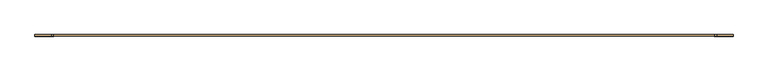
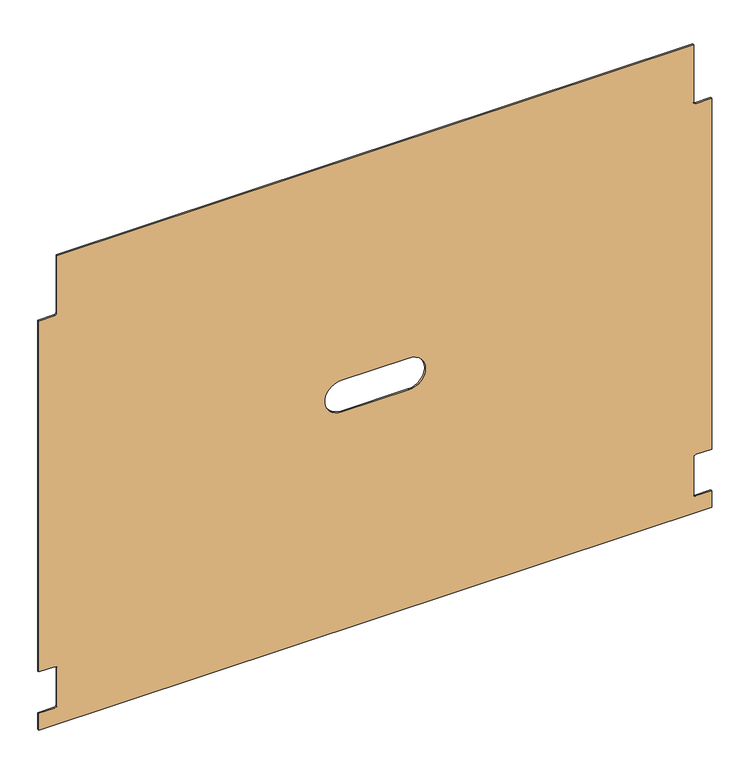
"""IFC4 building model written with IfcOpenShell, lengths in millimetres: door geometry."""

from ifc_helpers import new_model, si_unit, point, frame, frame_2d, origin, place, context, project, spatial, polyline, circle_curve, trimmed, segment, composite_curve, outline, extrude, source, transform, mapped, element, save


def door_e93304ff(model_context):
    return source(origin(), model_context, "Body", "SweptSolid", [
        extrude(outline(composite_curve([segment(trimmed(circle_curve(frame_2d((688.1316256, -382.7885454)), 3.175), [point((688.1316256, -379.6135454))], [point((684.9566256, -382.7885454))], True, "CARTESIAN"), True, "CONTINUOUS"), segment(polyline([(684.9566256, -382.7885454), (684.9566256, -406.9820454), (121.3520123, -406.9820454), (121.3520123, -382.7885454)]), True, "CONTINUOUS"), segment(trimmed(circle_curve(frame_2d((118.1770123, -382.7885454)), 3.175), [point((121.3520123, -382.7885454))], [point((118.1770123, -379.6135454))], True, "CARTESIAN"), True, "CONTINUOUS"), segment(polyline([(118.1770123, -379.6135454), (57.8520123, -379.6135454)]), True, "CONTINUOUS"), segment(trimmed(circle_curve(frame_2d((57.8520123, -382.7885454)), 3.175), [point((57.8520123, -379.6135454))], [point((54.6770123, -382.7885454))], True, "CARTESIAN"), True, "CONTINUOUS"), segment(polyline([(54.6770123, -382.7885454), (54.6770123, -406.9820454), (28.0705123, -406.9820454), (28.0705123, 615.3303587), (54.6770123, 615.3303587), (54.6770123, 591.1368587)]), True, "CONTINUOUS"), segment(trimmed(circle_curve(frame_2d((57.8520123, 591.1368587)), 3.175), [point((54.6770123, 591.1368587))], [point((57.8520123, 587.9618587))], True, "CARTESIAN"), True, "CONTINUOUS"), segment(polyline([(57.8520123, 587.9618587), (118.1770123, 587.9618587)]), True, "CONTINUOUS"), segment(trimmed(circle_curve(frame_2d((118.1770123, 591.1368587)), 3.175), [point((118.1770123, 587.9618587))], [point((121.3520123, 591.1368587))], True, "CARTESIAN"), True, "CONTINUOUS"), segment(polyline([(121.3520123, 591.1368587), (121.3520123, 615.3303587), (684.9566256, 615.3303587), (684.9566256, 591.1368587)]), True, "CONTINUOUS"), segment(trimmed(circle_curve(frame_2d((688.1316256, 591.1368587)), 3.175), [point((684.9566256, 591.1368587))], [point((688.1316256, 587.9618587))], True, "CARTESIAN"), True, "CONTINUOUS"), segment(polyline([(688.1316256, 587.9618587), (780.4566124, 587.9618587), (780.4566124, -379.6135454), (688.1316256, -379.6135454)]), True, "CONTINUOUS")], self_intersect=False), holes=[composite_curve([segment(polyline([(428.6793124, 53.3741567), (428.6793124, 154.9741567)]), True, "CONTINUOUS"), segment(trimmed(circle_curve(frame_2d((403.2793124, 154.9741567)), 25.4), [point((428.6793124, 154.9741567))], [point((377.8793124, 154.9741567))], True, "CARTESIAN"), True, "CONTINUOUS"), segment(polyline([(377.8793124, 154.9741567), (377.8793124, 53.3741567)]), True, "CONTINUOUS"), segment(trimmed(circle_curve(frame_2d((403.2793124, 53.3741567)), 25.4), [point((377.8793124, 53.3741567))], [point((428.6793124, 53.3741567))], True, "CARTESIAN"), True, "CONTINUOUS")], self_intersect=False)]), frame((0.0, -2.2388125, 0.0), z_axis=(0.0, 1.0, 0.0), x_axis=(0.0, 0.0, 1.0)), (0.0, 0.0, 1.0), 2.2388125),
    ])


if __name__ == "__main__":
    model = new_model("IFC4")
    model_context = context("Model", 3, world=origin())
    ifc_project = project(units=[si_unit("LENGTHUNIT", "METRE", prefix="MILLI")], contexts=[model_context])
    site = spatial("IfcSite", under=ifc_project)
    building = spatial("IfcBuilding", under=site)
    placement = place(None, origin())
    door_shape = door_e93304ff(model_context)
    element("IfcDoor", 1, at=placement, inside=building, context=model_context, shape_type="MappedRepresentation", body=[
        mapped(door_shape, transform((0.0, 0.0, 0.0), x_axis=(1.0, 0.0, 0.0), y_axis=(0.0, 1.0, 0.0), z_axis=(0.0, 0.0, 1.0))),
    ])
    save(model, "model.ifc")
